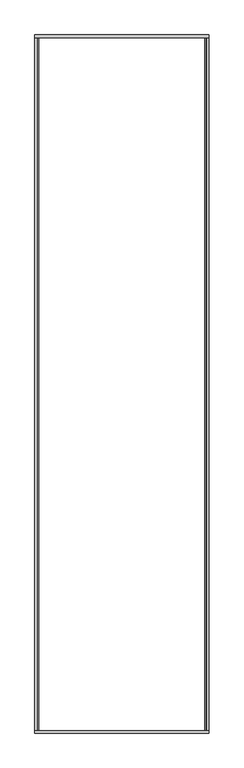
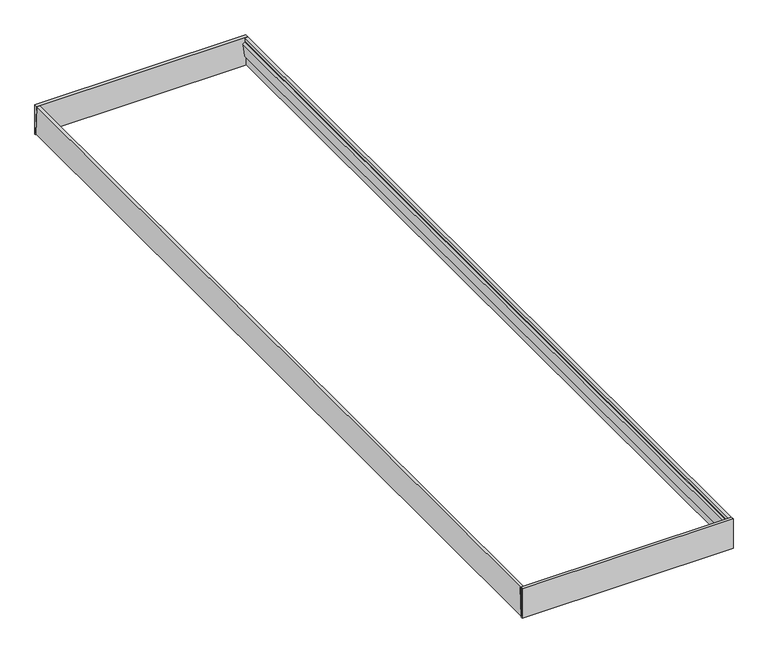
"""IFC4 building model written with IfcOpenShell, lengths in millimetres: beam geometry."""

import ifcopenshell
import ifcopenshell.guid

model = None  # the IFC model being written
_history = None  # IfcOwnerHistory: only IFC2X3 demands one
_inside = {}  # id of a spatial element -> (the spatial element, [elements in it])
_under = {}  # id of a project, library or spatial element -> (it, [spatial elements below it])
_declared = {}  # id of a project -> (the project, [libraries it declares])
_typed = {}  # id of a type object -> (the type object, [elements of that type])
_made_of = {}  # id of a material, layer set ... -> (it, [elements and type objects made of it])


def new_model(schema):
    """Start an empty IFC model of exactly this schema.

    Asked for "IFC4X3", IfcOpenShell would pick the latest addendum, in which some entities
    have other attributes; the version numbers below select the first issue.
    IFC2X3 requires an IfcOwnerHistory on every rooted entity: one is made here for all.
    """
    global model, _history
    if schema == "IFC4X3":
        model = ifcopenshell.file(schema_version=(4, 3, 0, 0))
    else:
        model = ifcopenshell.file(schema=schema)
    _inside.clear()
    _under.clear()
    _declared.clear()
    _typed.clear()
    _made_of.clear()
    _history = None
    if model.schema == "IFC2X3":
        org = make("IfcOrganization", Name="unknown")
        user = make(
            "IfcPersonAndOrganization",
            ThePerson=make("IfcPerson", FamilyName="unknown"),
            TheOrganization=org,
        )
        app = make(
            "IfcApplication",
            ApplicationDeveloper=org,
            Version="unknown",
            ApplicationFullName="unknown",
            ApplicationIdentifier="unknown",
        )
        _history = make(
            "IfcOwnerHistory",
            OwningUser=user,
            OwningApplication=app,
            ChangeAction="ADDED",
            CreationDate=0,
        )
    return model


def make(cls, **values):
    """One entity of the class cls with the attributes given. An attribute that is None is left unset."""
    return model.create_entity(
        cls, **{name: value for name, value in values.items() if value is not None}
    )


def rooted(cls, **values):
    """An entity with a GlobalId (a new one), such as an element, a storey or a relation."""
    return make(cls, GlobalId=ifcopenshell.guid.new(), OwnerHistory=_history, **values)


def si_unit(unit_type, name, prefix=None):
    """IfcSIUnit, for example si_unit("LENGTHUNIT", "METRE", prefix="MILLI")."""
    return make("IfcSIUnit", UnitType=unit_type, Prefix=prefix, Name=name)


def assignment(units):
    """IfcUnitAssignment: the units of a project."""
    return None if units is None else make("IfcUnitAssignment", Units=units)


def point(xyz):
    """IfcCartesianPoint."""
    return None if xyz is None else make("IfcCartesianPoint", Coordinates=xyz)


def direction(xyz):
    """IfcDirection."""
    return None if xyz is None else make("IfcDirection", DirectionRatios=xyz)


def frame(location, z_axis=None, x_axis=None):
    """IfcAxis2Placement3D, a coordinate frame: its origin and axes. An axis left out is left unset."""
    return make(
        "IfcAxis2Placement3D",
        Location=point(location),
        Axis=direction(z_axis),
        RefDirection=direction(x_axis),
    )


def origin():
    """The frame at (0, 0, 0) with its axes left unset."""
    return frame((0.0, 0.0, 0.0))


def place(relative_to, where):
    """IfcLocalPlacement: puts the frame where relative to a parent placement (None: the world)."""
    return make(
        "IfcLocalPlacement", PlacementRelTo=relative_to, RelativePlacement=where
    )


def context(
    kind, dimensions, precision=None, world=None, true_north=None, identifier=None
):
    """IfcGeometricRepresentationContext, for example the 3D "Model" context."""
    return make(
        "IfcGeometricRepresentationContext",
        ContextIdentifier=identifier,
        ContextType=kind,
        CoordinateSpaceDimension=dimensions,
        Precision=precision,
        WorldCoordinateSystem=world,
        TrueNorth=true_north,
    )


def project(units=None, contexts=None):
    """IfcProject with its units and contexts."""
    return rooted(
        "IfcProject",
        Name="project",
        RepresentationContexts=contexts,
        UnitsInContext=assignment(units),
    )


def spatial(cls, under=None, at=None, **own):
    """A site, building, storey or space (cls), placed at a placement, below another one or the project."""
    s = rooted(cls, ObjectPlacement=at, **own)
    if under is not None:
        _under.setdefault(under.id(), (under, []))[1].append(s)
    return s


def polyline(points):
    """IfcPolyline through the points."""
    return make("IfcPolyline", Points=[point(p) for p in points])


def outline(outer, holes=None, kind="AREA"):
    """IfcArbitraryClosedProfileDef: a profile drawn as a closed curve; with holes, ...WithVoids."""
    if holes is None:
        return make("IfcArbitraryClosedProfileDef", ProfileType=kind, OuterCurve=outer)
    return make(
        "IfcArbitraryProfileDefWithVoids",
        ProfileType=kind,
        OuterCurve=outer,
        InnerCurves=holes,
    )


def extrude(swept, where, along, depth):
    """IfcExtrudedAreaSolid: the profile swept, set in the frame where, extruded along a direction by depth."""
    return make(
        "IfcExtrudedAreaSolid",
        SweptArea=swept,
        Position=where,
        ExtrudedDirection=direction(along),
        Depth=depth,
    )


def shape(context_of_items, identifier, shape_type, items):
    """IfcShapeRepresentation: the items that make up one representation, for example the "Body"."""
    return make(
        "IfcShapeRepresentation",
        ContextOfItems=context_of_items,
        RepresentationIdentifier=identifier,
        RepresentationType=shape_type,
        Items=items,
    )


def source(mapping_origin, context_of_items, identifier, shape_type, items):
    """IfcRepresentationMap: a shape defined once, which mapped items show again and again."""
    return make(
        "IfcRepresentationMap",
        MappingOrigin=mapping_origin,
        MappedRepresentation=shape(context_of_items, identifier, shape_type, items),
    )


def transform(
    local_origin,
    x_axis=None,
    y_axis=None,
    z_axis=None,
    scale=None,
    scale2=None,
    scale3=None,
    uniform=True,
):
    """IfcCartesianTransformationOperator3D, or its non-uniform kind. x_axis, y_axis, z_axis: its Axis1, 2, 3."""
    if uniform:
        return make(
            "IfcCartesianTransformationOperator3D",
            Axis1=direction(x_axis),
            Axis2=direction(y_axis),
            LocalOrigin=point(local_origin),
            Scale=scale,
            Axis3=direction(z_axis),
        )
    return make(
        "IfcCartesianTransformationOperator3DnonUniform",
        Axis1=direction(x_axis),
        Axis2=direction(y_axis),
        LocalOrigin=point(local_origin),
        Scale=scale,
        Axis3=direction(z_axis),
        Scale2=scale2,
        Scale3=scale3,
    )


def mapped(mapping_source, mapping_target):
    """IfcMappedItem: shows the shape of a source again, moved by a transform."""
    return make(
        "IfcMappedItem", MappingSource=mapping_source, MappingTarget=mapping_target
    )


def made_of(thing, what):
    """Note that an element or type object is made of a material, layer set ...; save() writes the relation."""
    if what is not None:
        _made_of.setdefault(what.id(), (what, []))[1].append(thing)
    return thing


def element(
    cls,
    number,
    at=None,
    inside=None,
    cuts=None,
    type_object=None,
    material=None,
    context=None,
    identifier="Body",
    shape_type=None,
    held_by="IfcProductDefinitionShape",
    body=None,
    shapes=None,
    **own,
):
    """One element of the class cls, such as IfcWall. Its Tag is "e" and its number.

    at: its placement. inside: the storey or other place that contains it. cuts: it is an
    opening in that element (IfcRelVoidsElement). A single representation is given by context,
    identifier, shape_type and body (its items); several are given by shapes. held_by: the class
    of the entity that holds the representations. save() writes the other relations.
    """
    e = rooted(cls, Tag="e%d" % number, ObjectPlacement=at, **own)
    if body is not None:
        shapes = [shape(context, identifier, shape_type, body)]
    if shapes is not None:
        e.Representation = make(held_by, Representations=shapes)
    if inside is not None:
        _inside.setdefault(inside.id(), (inside, []))[1].append(e)
    if cuts is not None:
        rooted(
            "IfcRelVoidsElement", RelatingBuildingElement=cuts, RelatedOpeningElement=e
        )
    if type_object is not None:
        _typed.setdefault(type_object.id(), (type_object, []))[1].append(e)
    return made_of(e, material)


def aggregate(whole, parts):
    """IfcRelAggregates: a whole, such as a stair, and the parts it consists of."""
    return rooted("IfcRelAggregates", RelatingObject=whole, RelatedObjects=parts)


def save(model, path):
    """Write the relations noted so far, then the file.

    IfcRelAggregates (storeys below a building ...), IfcRelContainedInSpatialStructure (elements
    in a storey), IfcRelDefinesByType, IfcRelAssociatesMaterial and IfcRelDeclares: one each for
    every whole, place, type object, material and project.
    """
    for whole, parts in _under.values():
        aggregate(whole, parts)
    for where, things in _inside.values():
        rooted(
            "IfcRelContainedInSpatialStructure",
            RelatedElements=things,
            RelatingStructure=where,
        )
    for kind, things in _typed.values():
        rooted("IfcRelDefinesByType", RelatedObjects=things, RelatingType=kind)
    for what, things in _made_of.values():
        rooted("IfcRelAssociatesMaterial", RelatedObjects=things, RelatingMaterial=what)
    for by, libraries in _declared.values():
        rooted("IfcRelDeclares", RelatingContext=by, RelatedDefinitions=libraries)
    model.write(path)


def beam_e977fec2(model_context):
    return source(origin(), model_context, "Body", "SweptSolid", [
        extrude(outline(polyline([(5965.0, 220.0), (5990.0, 220.0), (5990.0, 0.0), (5980.0, 0.0), (5965.0, 220.0)])), frame((5.0, 0.0, 0.0), z_axis=(1.0, 0.0, 0.0), x_axis=(0.0, 1.0, 0.0)), (0.0, 0.0, 1.0), 1500.0),
        extrude(outline(polyline([(10.0, 220.0), (0.0, 0.0), (-10.0, 0.0), (-10.0, 220.0), (10.0, 220.0)])), frame((5.0, 0.0, 0.0), z_axis=(1.0, 0.0, 0.0), x_axis=(0.0, 1.0, 0.0)), (0.0, 0.0, 1.0), 1500.0),
        extrude(outline(polyline([(71.0129189, 1495.4251599), (6.9651578, 1500.0), (6.9651578, 1505.0), (220.0, 1505.0), (220.0, 1484.7832256), (190.4202344, 1486.896066), (190.2064933, 1483.9036899), (177.1682831, 1470.0), (74.1450488, 1487.1810542), (70.5114493, 1492.4533359), (71.0129189, 1495.4251599)])), frame((0.0, 0.0, 0.0), z_axis=(0.0, 1.0, 0.0), x_axis=(0.0, 0.0, 1.0)), (0.0, 0.0, 1.0), 5980.0),
        extrude(outline(polyline([(71.0129189, 14.371614), (70.5114493, 17.3434381), (74.1450488, 22.6157198), (177.1682831, 40.0), (190.2064933, 25.8930841), (190.4202344, 22.900708), (220.0, 25.0135484), (220.0, 5.0), (7.0, 5.0), (7.0, 10.0), (71.0129189, 14.371614)])), frame((0.0, 0.0, 0.0), z_axis=(0.0, 1.0, 0.0), x_axis=(0.0, 0.0, 1.0)), (0.0, 0.0, 1.0), 5980.0),
    ])


if __name__ == "__main__":
    model = new_model("IFC4")
    model_context = context("Model", 3, world=origin())
    ifc_project = project(units=[si_unit("LENGTHUNIT", "METRE", prefix="MILLI")], contexts=[model_context])
    site = spatial("IfcSite", under=ifc_project)
    building = spatial("IfcBuilding", under=site)
    placement = place(None, origin())
    beam_shape = beam_e977fec2(model_context)
    element("IfcBeam", 1, at=placement, inside=building, context=model_context, shape_type="MappedRepresentation", body=[
        mapped(beam_shape, transform((0.0, 0.0, 0.0), x_axis=(1.0, 0.0, 0.0), y_axis=(0.0, 1.0, 0.0), z_axis=(0.0, 0.0, 1.0))),
    ])
    save(model, "model.ifc")
